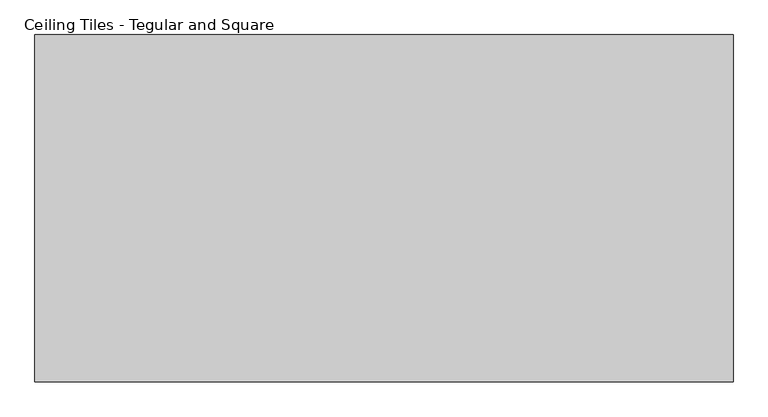
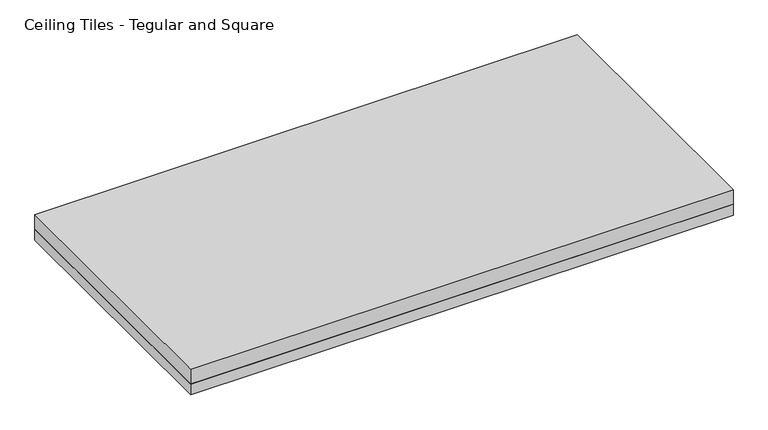
"""IFC4 building model written with IfcOpenShell, lengths in millimetres: proxy geometry, Ceiling Tiles - Tegular and Square."""

from ifc_helpers import new_model, si_unit, frame, origin, origin_with_axes, place, context, project, spatial, polyline, outline, extrude, source, transform, mapped, element, save


def ceiling_tiles_tegular_and_square_85b82a90(model_context):
    return source(origin(), model_context, "Body", "SweptSolid", [
        extrude(outline(polyline([(606.425, 301.625), (606.425, -301.625), (-606.425, -301.625), (-606.425, 301.625), (606.425, 301.625)])), origin_with_axes(), (0.0, 0.0, 1.0), 25.4),
        extrude(outline(polyline([(-606.425, 301.625), (606.425, 301.625), (606.425, -301.625), (-606.425, -301.625), (-606.425, 301.625)])), frame((0.0, 0.0, 25.4), z_axis=(0.0, 0.0, 1.0), x_axis=(1.0, 0.0, 0.0)), (0.0, 0.0, 1.0), 34.925),
    ])


if __name__ == "__main__":
    model = new_model("IFC4")
    model_context = context("Model", 3, world=origin())
    ifc_project = project(units=[si_unit("LENGTHUNIT", "METRE", prefix="MILLI")], contexts=[model_context])
    site = spatial("IfcSite", under=ifc_project)
    building = spatial("IfcBuilding", under=site)
    placement = place(None, origin())
    ceiling_tiles_tegular_and_square_shape = ceiling_tiles_tegular_and_square_85b82a90(model_context)
    element("IfcBuildingElementProxy", 1, Name="Ceiling Tiles - Tegular and Square", ObjectType="Ceiling Tiles - Tegular and Square", at=placement, inside=building, context=model_context, shape_type="MappedRepresentation", body=[
        mapped(ceiling_tiles_tegular_and_square_shape, transform((0.0, 0.0, 0.0), x_axis=(1.0, 0.0, 0.0), y_axis=(0.0, 1.0, 0.0), z_axis=(0.0, 0.0, 1.0))),
    ])
    save(model, "model.ifc")
